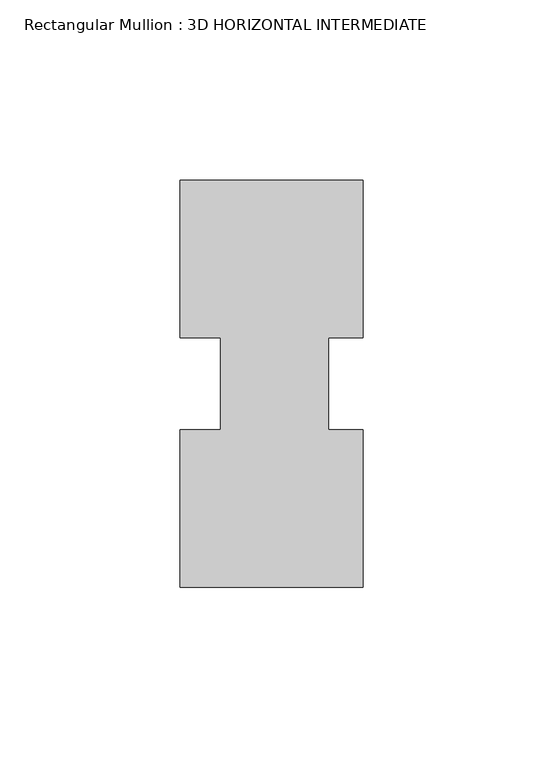
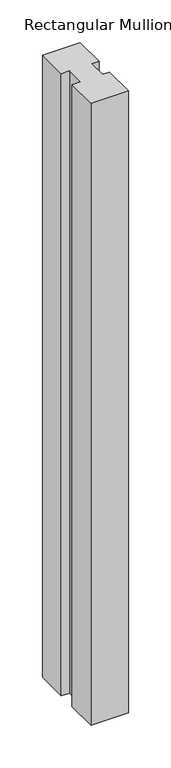
"""IFC4 building model written with IfcOpenShell, lengths in millimetres: member geometry, Rectangular Mullion : 3D HORIZONTAL INTERMEDIATE."""

from ifc_helpers import new_model, si_unit, frame, origin, place, context, project, spatial, polyline, outline, extrude, source, transform, mapped, element, save


def rectangular_mullion_3d_horizontal_intermediate_d42f101c(model_context):
    return source(origin(), model_context, "Body", "SweptSolid", [
        extrude(outline(polyline([(24.4527147, 12.7295207), (14.9404146, 12.7295207), (14.9404146, -12.7581776), (24.4527147, -12.7581776), (24.4527147, -56.5435115), (-26.3472853, -56.5435115), (-26.3472853, -12.7581776), (-14.9939298, -12.7581776), (-14.9939298, 12.7295207), (-26.3282353, 12.7295207), (-26.3282353, 56.5372885), (24.4527147, 56.5372885), (24.4527147, 12.7295207)])), frame((0.0, 0.0, -889.0), z_axis=(0.0, 0.0, 1.0), x_axis=(1.0, 0.0, 0.0)), (0.0, 0.0, 1.0), 889.0),
    ])


if __name__ == "__main__":
    model = new_model("IFC4")
    model_context = context("Model", 3, world=origin())
    ifc_project = project(units=[si_unit("LENGTHUNIT", "METRE", prefix="MILLI")], contexts=[model_context])
    site = spatial("IfcSite", under=ifc_project)
    building = spatial("IfcBuilding", under=site)
    placement = place(None, origin())
    rectangular_mullion_3d_horizontal_intermediate_shape = rectangular_mullion_3d_horizontal_intermediate_d42f101c(model_context)
    element("IfcMember", 1, ObjectType="Rectangular Mullion : 3D HORIZONTAL INTERMEDIATE", at=placement, inside=building, context=model_context, shape_type="MappedRepresentation", body=[
        mapped(rectangular_mullion_3d_horizontal_intermediate_shape, transform((0.0, 0.0, 0.0), x_axis=(1.0, 0.0, 0.0), y_axis=(0.0, 1.0, 0.0), z_axis=(0.0, 0.0, 1.0))),
    ])
    save(model, "model.ifc")
